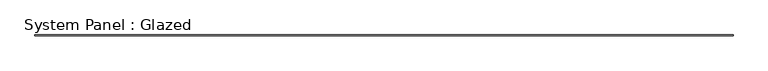
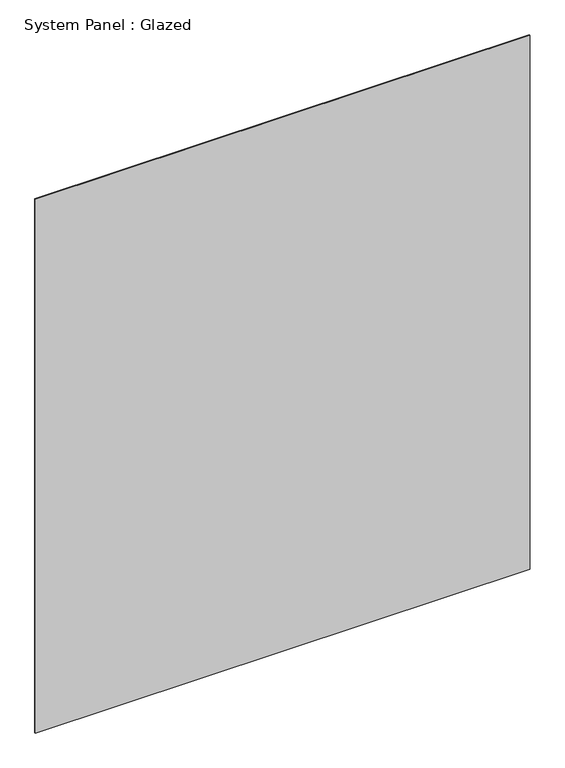
"""IFC4 building model written with IfcOpenShell, lengths in millimetres: plate geometry, System Panel : Glazed."""

from ifc_helpers import new_model, si_unit, origin, origin_with_axes, place, context, project, spatial, polyline, outline, extrude, source, transform, mapped, element, save


def system_panel_glazed_e32618b9(model_context):
    return source(origin(), model_context, "Body", "SweptSolid", [
        extrude(outline(polyline([(9357.0424426, 19.05), (-9357.0424426, 19.05), (-9357.0424426, 44.45), (9357.0424426, 44.45), (9357.0424426, 19.05)])), origin_with_axes(), (0.0, 0.0, 1.0), 21336.0),
    ])


if __name__ == "__main__":
    model = new_model("IFC4")
    model_context = context("Model", 3, world=origin())
    ifc_project = project(units=[si_unit("LENGTHUNIT", "METRE", prefix="MILLI")], contexts=[model_context])
    site = spatial("IfcSite", under=ifc_project)
    building = spatial("IfcBuilding", under=site)
    placement = place(None, origin())
    system_panel_glazed_shape = system_panel_glazed_e32618b9(model_context)
    element("IfcPlate", 1, ObjectType="System Panel : Glazed", at=placement, inside=building, context=model_context, shape_type="MappedRepresentation", body=[
        mapped(system_panel_glazed_shape, transform((0.0, 0.0, 0.0), x_axis=(1.0, 0.0, 0.0), y_axis=(0.0, 1.0, 0.0), z_axis=(0.0, 0.0, 1.0))),
    ])
    save(model, "model.ifc")
